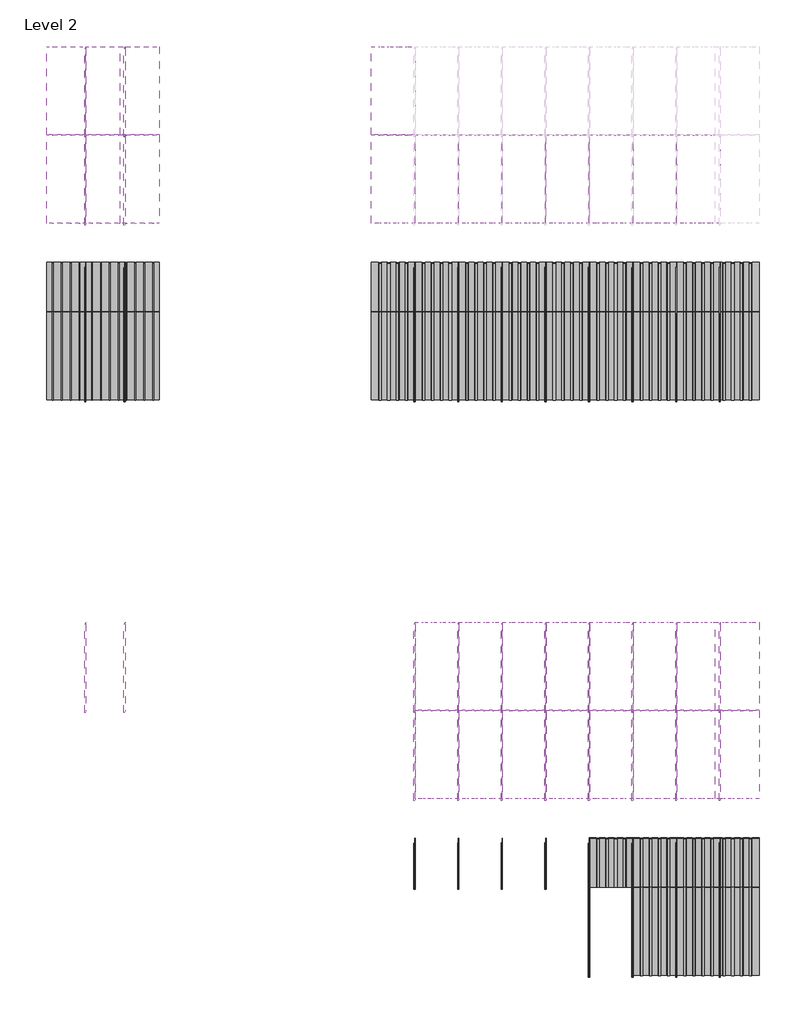
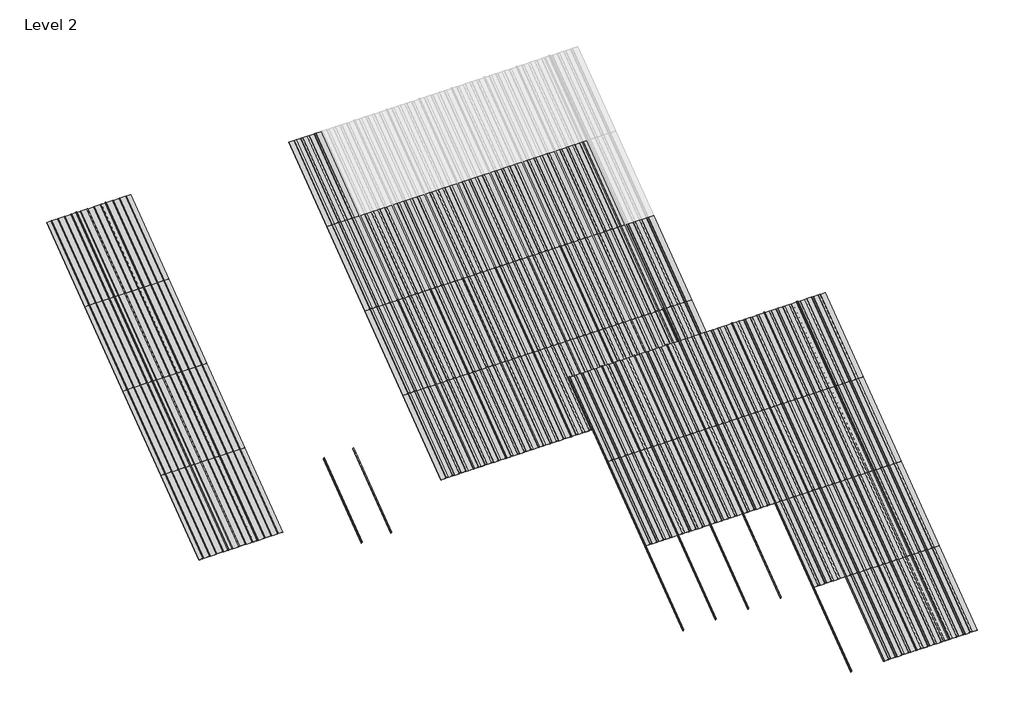
# One storey, part 36 of 177: 62 plates, 52 members.
"""IFC4 building model written with IfcOpenShell, lengths in millimetres."""

import ifcopenshell
import ifcopenshell.guid

model = None  # the IFC model being written
_history = None  # IfcOwnerHistory: only IFC2X3 demands one
_inside = {}  # id of a spatial element -> (the spatial element, [elements in it])
_under = {}  # id of a project, library or spatial element -> (it, [spatial elements below it])
_declared = {}  # id of a project -> (the project, [libraries it declares])
_typed = {}  # id of a type object -> (the type object, [elements of that type])
_made_of = {}  # id of a material, layer set ... -> (it, [elements and type objects made of it])


def new_model(schema):
    """Start an empty IFC model of exactly this schema.

    Asked for "IFC4X3", IfcOpenShell would pick the latest addendum, in which some entities
    have other attributes; the version numbers below select the first issue.
    IFC2X3 requires an IfcOwnerHistory on every rooted entity: one is made here for all.
    """
    global model, _history
    if schema == "IFC4X3":
        model = ifcopenshell.file(schema_version=(4, 3, 0, 0))
    else:
        model = ifcopenshell.file(schema=schema)
    _inside.clear()
    _under.clear()
    _declared.clear()
    _typed.clear()
    _made_of.clear()
    _history = None
    if model.schema == "IFC2X3":
        org = make("IfcOrganization", Name="unknown")
        user = make(
            "IfcPersonAndOrganization",
            ThePerson=make("IfcPerson", FamilyName="unknown"),
            TheOrganization=org,
        )
        app = make(
            "IfcApplication",
            ApplicationDeveloper=org,
            Version="unknown",
            ApplicationFullName="unknown",
            ApplicationIdentifier="unknown",
        )
        _history = make(
            "IfcOwnerHistory",
            OwningUser=user,
            OwningApplication=app,
            ChangeAction="ADDED",
            CreationDate=0,
        )
    return model


def make(cls, **values):
    """One entity of the class cls with the attributes given. An attribute that is None is left unset."""
    return model.create_entity(
        cls, **{name: value for name, value in values.items() if value is not None}
    )


def rooted(cls, **values):
    """An entity with a GlobalId (a new one), such as an element, a storey or a relation."""
    return make(cls, GlobalId=ifcopenshell.guid.new(), OwnerHistory=_history, **values)


def si_unit(unit_type, name, prefix=None):
    """IfcSIUnit, for example si_unit("LENGTHUNIT", "METRE", prefix="MILLI")."""
    return make("IfcSIUnit", UnitType=unit_type, Prefix=prefix, Name=name)


def assignment(units):
    """IfcUnitAssignment: the units of a project."""
    return None if units is None else make("IfcUnitAssignment", Units=units)


def point(xyz):
    """IfcCartesianPoint."""
    return None if xyz is None else make("IfcCartesianPoint", Coordinates=xyz)


def direction(xyz):
    """IfcDirection."""
    return None if xyz is None else make("IfcDirection", DirectionRatios=xyz)


def frame(location, z_axis=None, x_axis=None):
    """IfcAxis2Placement3D, a coordinate frame: its origin and axes. An axis left out is left unset."""
    return make(
        "IfcAxis2Placement3D",
        Location=point(location),
        Axis=direction(z_axis),
        RefDirection=direction(x_axis),
    )


def frame_2d(location, x_axis=None):
    """IfcAxis2Placement2D, a coordinate frame in the plane: its origin and x axis."""
    return make(
        "IfcAxis2Placement2D", Location=point(location), RefDirection=direction(x_axis)
    )


def origin():
    """The frame at (0, 0, 0) with its axes left unset."""
    return frame((0.0, 0.0, 0.0))


def origin_with_axes():
    """The frame at (0, 0, 0) with the z axis (0, 0, 1) and the x axis (1, 0, 0) written out."""
    return frame((0.0, 0.0, 0.0), z_axis=(0.0, 0.0, 1.0), x_axis=(1.0, 0.0, 0.0))


def place(relative_to, where):
    """IfcLocalPlacement: puts the frame where relative to a parent placement (None: the world)."""
    return make(
        "IfcLocalPlacement", PlacementRelTo=relative_to, RelativePlacement=where
    )


def context(
    kind, dimensions, precision=None, world=None, true_north=None, identifier=None
):
    """IfcGeometricRepresentationContext, for example the 3D "Model" context."""
    return make(
        "IfcGeometricRepresentationContext",
        ContextIdentifier=identifier,
        ContextType=kind,
        CoordinateSpaceDimension=dimensions,
        Precision=precision,
        WorldCoordinateSystem=world,
        TrueNorth=true_north,
    )


def project(units=None, contexts=None):
    """IfcProject with its units and contexts."""
    return rooted(
        "IfcProject",
        Name="project",
        RepresentationContexts=contexts,
        UnitsInContext=assignment(units),
    )


def spatial(cls, under=None, at=None, **own):
    """A site, building, storey or space (cls), placed at a placement, below another one or the project."""
    s = rooted(cls, ObjectPlacement=at, **own)
    if under is not None:
        _under.setdefault(under.id(), (under, []))[1].append(s)
    return s


def polyline(points):
    """IfcPolyline through the points."""
    return make("IfcPolyline", Points=[point(p) for p in points])


def circle_curve(where, radius):
    """IfcCircle in the frame where."""
    return make("IfcCircle", Position=where, Radius=radius)


def trimmed(basis, trim1, trim2, sense, master):
    """IfcTrimmedCurve: the piece of a basis curve between two trims."""
    return make(
        "IfcTrimmedCurve",
        BasisCurve=basis,
        Trim1=trim1,
        Trim2=trim2,
        SenseAgreement=sense,
        MasterRepresentation=master,
    )


def segment(curve, same_sense, transition):
    """IfcCompositeCurveSegment."""
    return make(
        "IfcCompositeCurveSegment",
        Transition=transition,
        SameSense=same_sense,
        ParentCurve=curve,
    )


def composite_curve(segments, self_intersect=None):
    """IfcCompositeCurve: segments joined end to end."""
    return make("IfcCompositeCurve", Segments=segments, SelfIntersect=self_intersect)


def outline(outer, holes=None, kind="AREA"):
    """IfcArbitraryClosedProfileDef: a profile drawn as a closed curve; with holes, ...WithVoids."""
    if holes is None:
        return make("IfcArbitraryClosedProfileDef", ProfileType=kind, OuterCurve=outer)
    return make(
        "IfcArbitraryProfileDefWithVoids",
        ProfileType=kind,
        OuterCurve=outer,
        InnerCurves=holes,
    )


def extrude(swept, where, along, depth):
    """IfcExtrudedAreaSolid: the profile swept, set in the frame where, extruded along a direction by depth."""
    return make(
        "IfcExtrudedAreaSolid",
        SweptArea=swept,
        Position=where,
        ExtrudedDirection=direction(along),
        Depth=depth,
    )


def shape(context_of_items, identifier, shape_type, items):
    """IfcShapeRepresentation: the items that make up one representation, for example the "Body"."""
    return make(
        "IfcShapeRepresentation",
        ContextOfItems=context_of_items,
        RepresentationIdentifier=identifier,
        RepresentationType=shape_type,
        Items=items,
    )


def source(mapping_origin, context_of_items, identifier, shape_type, items):
    """IfcRepresentationMap: a shape defined once, which mapped items show again and again."""
    return make(
        "IfcRepresentationMap",
        MappingOrigin=mapping_origin,
        MappedRepresentation=shape(context_of_items, identifier, shape_type, items),
    )


def transform(
    local_origin,
    x_axis=None,
    y_axis=None,
    z_axis=None,
    scale=None,
    scale2=None,
    scale3=None,
    uniform=True,
):
    """IfcCartesianTransformationOperator3D, or its non-uniform kind. x_axis, y_axis, z_axis: its Axis1, 2, 3."""
    if uniform:
        return make(
            "IfcCartesianTransformationOperator3D",
            Axis1=direction(x_axis),
            Axis2=direction(y_axis),
            LocalOrigin=point(local_origin),
            Scale=scale,
            Axis3=direction(z_axis),
        )
    return make(
        "IfcCartesianTransformationOperator3DnonUniform",
        Axis1=direction(x_axis),
        Axis2=direction(y_axis),
        LocalOrigin=point(local_origin),
        Scale=scale,
        Axis3=direction(z_axis),
        Scale2=scale2,
        Scale3=scale3,
    )


def mapped(mapping_source, mapping_target):
    """IfcMappedItem: shows the shape of a source again, moved by a transform."""
    return make(
        "IfcMappedItem", MappingSource=mapping_source, MappingTarget=mapping_target
    )


def made_of(thing, what):
    """Note that an element or type object is made of a material, layer set ...; save() writes the relation."""
    if what is not None:
        _made_of.setdefault(what.id(), (what, []))[1].append(thing)
    return thing


def element(
    cls,
    number,
    at=None,
    inside=None,
    cuts=None,
    type_object=None,
    material=None,
    context=None,
    identifier="Body",
    shape_type=None,
    held_by="IfcProductDefinitionShape",
    body=None,
    shapes=None,
    **own,
):
    """One element of the class cls, such as IfcWall. Its Tag is "e" and its number.

    at: its placement. inside: the storey or other place that contains it. cuts: it is an
    opening in that element (IfcRelVoidsElement). A single representation is given by context,
    identifier, shape_type and body (its items); several are given by shapes. held_by: the class
    of the entity that holds the representations. save() writes the other relations.
    """
    e = rooted(cls, Tag="e%d" % number, ObjectPlacement=at, **own)
    if body is not None:
        shapes = [shape(context, identifier, shape_type, body)]
    if shapes is not None:
        e.Representation = make(held_by, Representations=shapes)
    if inside is not None:
        _inside.setdefault(inside.id(), (inside, []))[1].append(e)
    if cuts is not None:
        rooted(
            "IfcRelVoidsElement", RelatingBuildingElement=cuts, RelatedOpeningElement=e
        )
    if type_object is not None:
        _typed.setdefault(type_object.id(), (type_object, []))[1].append(e)
    return made_of(e, material)


def aggregate(whole, parts):
    """IfcRelAggregates: a whole, such as a stair, and the parts it consists of."""
    return rooted("IfcRelAggregates", RelatingObject=whole, RelatedObjects=parts)


def save(model, path):
    """Write the relations noted so far, then the file.

    IfcRelAggregates (storeys below a building ...), IfcRelContainedInSpatialStructure (elements
    in a storey), IfcRelDefinesByType, IfcRelAssociatesMaterial and IfcRelDeclares: one each for
    every whole, place, type object, material and project.
    """
    for whole, parts in _under.values():
        aggregate(whole, parts)
    for where, things in _inside.values():
        rooted(
            "IfcRelContainedInSpatialStructure",
            RelatedElements=things,
            RelatingStructure=where,
        )
    for kind, things in _typed.values():
        rooted("IfcRelDefinesByType", RelatedObjects=things, RelatingType=kind)
    for what, things in _made_of.values():
        rooted("IfcRelAssociatesMaterial", RelatedObjects=things, RelatingMaterial=what)
    for by, libraries in _declared.values():
        rooted("IfcRelDeclares", RelatingContext=by, RelatedDefinitions=libraries)
    model.write(path)


def rectangular_mullion_59d29c64(model_context):
    return source(origin(), model_context, "Body", "SweptSolid", [
        extrude(outline(composite_curve([segment(polyline([(-1.651, -33.918525), (-1.651, 0.396875), (1.778, 0.396875), (1.778, -36.458525)]), True, "CONTINUOUS"), segment(trimmed(circle_curve(frame_2d((-0.762, -36.458525)), 2.54), [point((1.778, -36.458525))], [point((-0.762, -38.998525))], False, "CARTESIAN"), True, "CONTINUOUS"), segment(polyline([(-0.762, -38.998525), (-10.16, -38.998525)]), True, "CONTINUOUS"), segment(trimmed(circle_curve(frame_2d((-10.16, -36.458525)), 2.54), [point((-10.16, -38.998525))], [point((-10.16, -33.918525))], False, "CARTESIAN"), True, "CONTINUOUS"), segment(polyline([(-10.16, -33.918525), (-1.651, -33.918525)]), True, "CONTINUOUS")], self_intersect=False)), frame((0.0, 0.0, -1285.875), z_axis=(0.0, 0.0, 1.0), x_axis=(1.0, 0.0, 0.0)), (0.0, 0.0, 1.0), 1285.875),
    ])


def plate_0_032_aluminium_d35da513(model_context):
    return source(origin(), model_context, "Body", "SweptSolid", [
        extrude(outline(polyline([(33.654793, 0.0), (-33.654793, 0.0), (-37.203173, -3.54838), (-66.870787, -3.54838), (-70.419167, 0.0), (-137.728753, 0.0), (-141.277133, -3.54838), (-170.944747, -3.54838), (-174.493127, 0.0), (-254.0, 0.0), (-254.0, 0.8128), (-174.42942, 0.8128), (-170.88104, -2.73558), (-141.34084, -2.73558), (-137.79246, 0.8128), (-70.35546, 0.8128), (-66.80708, -2.73558), (-37.26688, -2.73558), (-33.7185, 0.8128), (33.7185, 0.8128), (37.26688, -2.73558), (66.80708, -2.73558), (70.35546, 0.8128), (137.79246, 0.8128), (141.34084, -2.73558), (170.88104, -2.73558), (174.42942, 0.8128), (254.0, 0.8128), (254.0, 0.0), (174.493127, 0.0), (170.944747, -3.54838), (141.277133, -3.54838), (137.728753, 0.0), (70.419167, 0.0), (66.870787, -3.54838), (37.203173, -3.54838), (33.654793, 0.0)])), origin_with_axes(), (0.0, 0.0, 1.0), 1285.875),
    ])


def plate_0_032_aluminium_42d2a43c(model_context):
    return source(origin(), model_context, "Body", "SweptSolid", [
        extrude(outline(composite_curve([segment(polyline([(45.68698, 0.0), (-45.68698, 0.0)]), True, "CONTINUOUS"), segment(trimmed(circle_curve(frame_2d((-52.03698, 0.0)), 6.35), [point((-45.68698, 0.0))], [point((-58.38698, 0.0))], False, "CARTESIAN"), True, "CONTINUOUS"), segment(polyline([(-58.38698, 0.0), (-149.76094, 0.0)]), True, "CONTINUOUS"), segment(trimmed(circle_curve(frame_2d((-156.11094, 0.0)), 6.35), [point((-149.76094, 0.0))], [point((-162.46094, 0.0))], False, "CARTESIAN"), True, "CONTINUOUS"), segment(polyline([(-162.46094, 0.0), (-228.6, 0.0), (-228.6, 0.8128), (-161.64814, 0.8128), (-161.64814, 0.0)]), True, "CONTINUOUS"), segment(trimmed(circle_curve(frame_2d((-156.11094, 0.0)), 5.5372), [point((-161.64814, 0.0))], [point((-150.57374, 0.0))], True, "CARTESIAN"), True, "CONTINUOUS"), segment(polyline([(-150.57374, 0.0), (-150.57374, 0.8128), (-57.57418, 0.8128), (-57.57418, 0.0)]), True, "CONTINUOUS"), segment(trimmed(circle_curve(frame_2d((-52.03698, 0.0)), 5.5372), [point((-57.57418, 0.0))], [point((-46.49978, 0.0))], True, "CARTESIAN"), True, "CONTINUOUS"), segment(polyline([(-46.49978, 0.0), (-46.49978, 0.8128), (46.49978, 0.8128), (46.49978, 0.0)]), True, "CONTINUOUS"), segment(trimmed(circle_curve(frame_2d((52.03698, 0.0)), 5.5372), [point((46.49978, 0.0))], [point((57.57418, 0.0))], True, "CARTESIAN"), True, "CONTINUOUS"), segment(polyline([(57.57418, 0.0), (57.57418, 0.8128), (150.57374, 0.8128), (150.57374, 0.0)]), True, "CONTINUOUS"), segment(trimmed(circle_curve(frame_2d((156.11094, 0.0)), 5.5372), [point((150.57374, 0.0))], [point((161.64814, 0.0))], True, "CARTESIAN"), True, "CONTINUOUS"), segment(polyline([(161.64814, 0.0), (161.64814, 0.8128), (228.6, 0.8128), (228.6, 0.0), (162.46094, 0.0)]), True, "CONTINUOUS"), segment(trimmed(circle_curve(frame_2d((156.11094, 0.0)), 6.35), [point((162.46094, 0.0))], [point((149.76094, 0.0))], False, "CARTESIAN"), True, "CONTINUOUS"), segment(polyline([(149.76094, 0.0), (58.38698, 0.0)]), True, "CONTINUOUS"), segment(trimmed(circle_curve(frame_2d((52.03698, 0.0)), 6.35), [point((58.38698, 0.0))], [point((45.68698, 0.0))], False, "CARTESIAN"), True, "CONTINUOUS")], self_intersect=False)), origin_with_axes(), (0.0, 0.0, 1.0), 1285.875),
    ])


model = new_model("IFC4")

# Units and contexts
model_context = context("Model", 3, world=origin())
ifc_project = project(units=[si_unit("LENGTHUNIT", "METRE", prefix="MILLI")], contexts=[model_context])

# Site, building, storey
site = spatial("IfcSite", under=ifc_project)
building = spatial("IfcBuilding", under=site)
storey = spatial("IfcBuildingStorey", under=building, Name="Level 2", Elevation=3048.0)

# Members
placement = place(None, origin())
rectangular_mullion_shape = rectangular_mullion_59d29c64(model_context)
element("IfcMember", 1, ObjectType="Rectangular Mullion", at=placement, inside=storey, context=model_context, shape_type="MappedRepresentation", body=[
    mapped(rectangular_mullion_shape, transform((112282.3138422, 52372.7796239, 6134.1), x_axis=(1.0, 0.0, 0.0), y_axis=(0.0, 0.5999999999999946, -0.800000000000004), z_axis=(0.0, 0.800000000000004, 0.5999999999999946))),
])
element("IfcMember", 2, ObjectType="Rectangular Mullion", at=placement, inside=storey, context=model_context, shape_type="MappedRepresentation", body=[
    mapped(rectangular_mullion_shape, transform((112739.5138422, 52372.7796239, 6134.1), x_axis=(1.0, 0.0, 0.0), y_axis=(0.0, 0.5999999999999946, -0.800000000000004), z_axis=(0.0, 0.800000000000004, 0.5999999999999946))),
])
element("IfcMember", 3, ObjectType="Rectangular Mullion", at=placement, inside=storey, context=model_context, shape_type="MappedRepresentation", body=[
    mapped(rectangular_mullion_shape, transform((116117.7138422, 52372.7796239, 6134.1), x_axis=(1.0, 0.0, 0.0), y_axis=(0.0, 0.5999999999999946, -0.800000000000004), z_axis=(0.0, 0.800000000000004, 0.5999999999999946))),
])
element("IfcMember", 4, ObjectType="Rectangular Mullion", at=placement, inside=storey, context=model_context, shape_type="MappedRepresentation", body=[
    mapped(rectangular_mullion_shape, transform((116625.7138422, 52372.7796239, 6134.1), x_axis=(1.0, 0.0, 0.0), y_axis=(0.0, 0.5999999999999946, -0.800000000000004), z_axis=(0.0, 0.800000000000004, 0.5999999999999946))),
])
element("IfcMember", 5, ObjectType="Rectangular Mullion", at=placement, inside=storey, context=model_context, shape_type="MappedRepresentation", body=[
    mapped(rectangular_mullion_shape, transform((117133.7138422, 52372.7796239, 6134.1), x_axis=(1.0, 0.0, 0.0), y_axis=(0.0, 0.5999999999999946, -0.800000000000004), z_axis=(0.0, 0.800000000000004, 0.5999999999999946))),
])
element("IfcMember", 6, ObjectType="Rectangular Mullion", at=placement, inside=storey, context=model_context, shape_type="MappedRepresentation", body=[
    mapped(rectangular_mullion_shape, transform((117641.7138422, 52372.7796239, 6134.1), x_axis=(1.0, 0.0, 0.0), y_axis=(0.0, 0.5999999999999946, -0.800000000000004), z_axis=(0.0, 0.800000000000004, 0.5999999999999946))),
])
element("IfcMember", 7, ObjectType="Rectangular Mullion", at=placement, inside=storey, context=model_context, shape_type="MappedRepresentation", body=[
    mapped(rectangular_mullion_shape, transform((118149.7138422, 52372.7796239, 6134.1), x_axis=(1.0, 0.0, 0.0), y_axis=(0.0, 0.5999999999999946, -0.800000000000004), z_axis=(0.0, 0.800000000000004, 0.5999999999999946))),
])
element("IfcMember", 8, ObjectType="Rectangular Mullion", at=placement, inside=storey, context=model_context, shape_type="MappedRepresentation", body=[
    mapped(rectangular_mullion_shape, transform((118657.7138422, 52372.7796239, 6134.1), x_axis=(1.0, 0.0, 0.0), y_axis=(0.0, 0.5999999999999946, -0.800000000000004), z_axis=(0.0, 0.800000000000004, 0.5999999999999946))),
])
element("IfcMember", 9, ObjectType="Rectangular Mullion", at=placement, inside=storey, context=model_context, shape_type="MappedRepresentation", body=[
    mapped(rectangular_mullion_shape, transform((119165.7138422, 52372.7796239, 6134.1), x_axis=(1.0, 0.0, 0.0), y_axis=(0.0, 0.5999999999999946, -0.800000000000004), z_axis=(0.0, 0.800000000000004, 0.5999999999999946))),
])
element("IfcMember", 10, ObjectType="Rectangular Mullion", at=placement, inside=storey, context=model_context, shape_type="MappedRepresentation", body=[
    mapped(rectangular_mullion_shape, transform((119673.7138422, 52372.7796239, 6134.1), x_axis=(1.0, 0.0, 0.0), y_axis=(0.0, 0.5999999999999946, -0.800000000000004), z_axis=(0.0, 0.800000000000004, 0.5999999999999946))),
])
element("IfcMember", 11, ObjectType="Rectangular Mullion", at=placement, inside=storey, context=model_context, shape_type="MappedRepresentation", body=[
    mapped(rectangular_mullion_shape, transform((112282.3138422, 59077.9033739, 6134.1), x_axis=(1.0, 0.0, 0.0), y_axis=(0.0, 0.5999999999999946, -0.800000000000004), z_axis=(0.0, 0.800000000000004, 0.5999999999999946))),
])
element("IfcMember", 12, ObjectType="Rectangular Mullion", at=placement, inside=storey, context=model_context, shape_type="MappedRepresentation", body=[
    mapped(rectangular_mullion_shape, transform((112739.5138422, 59077.9033739, 6134.1), x_axis=(1.0, 0.0, 0.0), y_axis=(0.0, 0.5999999999999946, -0.800000000000004), z_axis=(0.0, 0.800000000000004, 0.5999999999999946))),
])
element("IfcMember", 13, ObjectType="Rectangular Mullion", at=placement, inside=storey, context=model_context, shape_type="MappedRepresentation", body=[
    mapped(rectangular_mullion_shape, transform((118149.7138422, 49286.6796239, 3819.525), x_axis=(1.0, 0.0, 0.0), y_axis=(0.0, 0.5999999999999939, -0.8000000000000047), z_axis=(0.0, 0.8000000000000047, 0.5999999999999939))),
])
element("IfcMember", 14, ObjectType="Rectangular Mullion", at=placement, inside=storey, context=model_context, shape_type="MappedRepresentation", body=[
    mapped(rectangular_mullion_shape, transform((118657.7138422, 49286.6796239, 3819.525), x_axis=(1.0, 0.0, 0.0), y_axis=(0.0, 0.5999999999999939, -0.8000000000000047), z_axis=(0.0, 0.8000000000000047, 0.5999999999999939))),
])
element("IfcMember", 15, ObjectType="Rectangular Mullion", at=placement, inside=storey, context=model_context, shape_type="MappedRepresentation", body=[
    mapped(rectangular_mullion_shape, transform((119165.7138422, 49286.6796239, 3819.525), x_axis=(1.0, 0.0, 0.0), y_axis=(0.0, 0.5999999999999939, -0.8000000000000047), z_axis=(0.0, 0.8000000000000047, 0.5999999999999939))),
])
element("IfcMember", 16, ObjectType="Rectangular Mullion", at=placement, inside=storey, context=model_context, shape_type="MappedRepresentation", body=[
    mapped(rectangular_mullion_shape, transform((119673.7138422, 49286.6796239, 3819.525), x_axis=(1.0, 0.0, 0.0), y_axis=(0.0, 0.5999999999999939, -0.8000000000000047), z_axis=(0.0, 0.8000000000000047, 0.5999999999999939))),
])
element("IfcMember", 17, ObjectType="Rectangular Mullion", at=placement, inside=storey, context=model_context, shape_type="MappedRepresentation", body=[
    mapped(rectangular_mullion_shape, transform((112282.3138422, 55991.8033739, 3819.525), x_axis=(1.0, 0.0, 0.0), y_axis=(0.0, 0.5999999999999939, -0.8000000000000047), z_axis=(0.0, 0.8000000000000047, 0.5999999999999939))),
])
element("IfcMember", 18, ObjectType="Rectangular Mullion", at=placement, inside=storey, context=model_context, shape_type="MappedRepresentation", body=[
    mapped(rectangular_mullion_shape, transform((112739.5138422, 55991.8033739, 3819.525), x_axis=(1.0, 0.0, 0.0), y_axis=(0.0, 0.5999999999999939, -0.8000000000000047), z_axis=(0.0, 0.8000000000000047, 0.5999999999999939))),
])
element("IfcMember", 19, ObjectType="Rectangular Mullion", at=placement, inside=storey, context=model_context, shape_type="MappedRepresentation", body=[
    mapped(rectangular_mullion_shape, transform((116117.7138422, 55991.8033739, 3819.525), x_axis=(1.0, 0.0, 0.0), y_axis=(0.0, 0.5999999999999939, -0.8000000000000047), z_axis=(0.0, 0.8000000000000047, 0.5999999999999939))),
])
element("IfcMember", 20, ObjectType="Rectangular Mullion", at=placement, inside=storey, context=model_context, shape_type="MappedRepresentation", body=[
    mapped(rectangular_mullion_shape, transform((116625.7138422, 55991.8033739, 3819.525), x_axis=(1.0, 0.0, 0.0), y_axis=(0.0, 0.5999999999999939, -0.8000000000000047), z_axis=(0.0, 0.8000000000000047, 0.5999999999999939))),
])
element("IfcMember", 21, ObjectType="Rectangular Mullion", at=placement, inside=storey, context=model_context, shape_type="MappedRepresentation", body=[
    mapped(rectangular_mullion_shape, transform((117133.7138422, 55991.8033739, 3819.525), x_axis=(1.0, 0.0, 0.0), y_axis=(0.0, 0.5999999999999939, -0.8000000000000047), z_axis=(0.0, 0.8000000000000047, 0.5999999999999939))),
])
element("IfcMember", 22, ObjectType="Rectangular Mullion", at=placement, inside=storey, context=model_context, shape_type="MappedRepresentation", body=[
    mapped(rectangular_mullion_shape, transform((117641.7138422, 55991.8033739, 3819.525), x_axis=(1.0, 0.0, 0.0), y_axis=(0.0, 0.5999999999999939, -0.8000000000000047), z_axis=(0.0, 0.8000000000000047, 0.5999999999999939))),
])
element("IfcMember", 23, ObjectType="Rectangular Mullion", at=placement, inside=storey, context=model_context, shape_type="MappedRepresentation", body=[
    mapped(rectangular_mullion_shape, transform((118149.7138422, 55991.8033739, 3819.525), x_axis=(1.0, 0.0, 0.0), y_axis=(0.0, 0.5999999999999939, -0.8000000000000047), z_axis=(0.0, 0.8000000000000047, 0.5999999999999939))),
])
element("IfcMember", 24, ObjectType="Rectangular Mullion", at=placement, inside=storey, context=model_context, shape_type="MappedRepresentation", body=[
    mapped(rectangular_mullion_shape, transform((118657.7138422, 55991.8033739, 3819.525), x_axis=(1.0, 0.0, 0.0), y_axis=(0.0, 0.5999999999999939, -0.8000000000000047), z_axis=(0.0, 0.8000000000000047, 0.5999999999999939))),
])
element("IfcMember", 25, ObjectType="Rectangular Mullion", at=placement, inside=storey, context=model_context, shape_type="MappedRepresentation", body=[
    mapped(rectangular_mullion_shape, transform((119165.7138422, 55991.8033739, 3819.525), x_axis=(1.0, 0.0, 0.0), y_axis=(0.0, 0.5999999999999939, -0.8000000000000047), z_axis=(0.0, 0.8000000000000047, 0.5999999999999939))),
])
element("IfcMember", 26, ObjectType="Rectangular Mullion", at=placement, inside=storey, context=model_context, shape_type="MappedRepresentation", body=[
    mapped(rectangular_mullion_shape, transform((119673.7138422, 55991.8033739, 3819.525), x_axis=(1.0, 0.0, 0.0), y_axis=(0.0, 0.5999999999999939, -0.8000000000000047), z_axis=(0.0, 0.8000000000000047, 0.5999999999999939))),
])
element("IfcMember", 27, ObjectType="Rectangular Mullion", at=placement, inside=storey, context=model_context, shape_type="MappedRepresentation", body=[
    mapped(rectangular_mullion_shape, transform((116117.7138422, 50315.3796239, 4591.05), x_axis=(1.0, 0.0, 0.0), y_axis=(0.0, 0.5999999999999952, -0.8000000000000037), z_axis=(0.0, 0.8000000000000037, 0.5999999999999952))),
])
element("IfcMember", 28, ObjectType="Rectangular Mullion", at=placement, inside=storey, context=model_context, shape_type="MappedRepresentation", body=[
    mapped(rectangular_mullion_shape, transform((116625.7138422, 50315.3796239, 4591.05), x_axis=(1.0, 0.0, 0.0), y_axis=(0.0, 0.5999999999999952, -0.8000000000000037), z_axis=(0.0, 0.8000000000000037, 0.5999999999999952))),
])
element("IfcMember", 29, ObjectType="Rectangular Mullion", at=placement, inside=storey, context=model_context, shape_type="MappedRepresentation", body=[
    mapped(rectangular_mullion_shape, transform((116117.7138422, 51344.0796239, 5362.575), x_axis=(1.0, 0.0, 0.0), y_axis=(0.0, 0.5999999999999941, -0.8000000000000045), z_axis=(0.0, 0.8000000000000044, 0.599999999999994))),
])
element("IfcMember", 30, ObjectType="Rectangular Mullion", at=placement, inside=storey, context=model_context, shape_type="MappedRepresentation", body=[
    mapped(rectangular_mullion_shape, transform((116625.7138422, 51344.0796239, 5362.575), x_axis=(1.0, 0.0, 0.0), y_axis=(0.0, 0.5999999999999941, -0.8000000000000045), z_axis=(0.0, 0.8000000000000044, 0.599999999999994))),
])
element("IfcMember", 31, ObjectType="Rectangular Mullion", at=placement, inside=storey, context=model_context, shape_type="MappedRepresentation", body=[
    mapped(rectangular_mullion_shape, transform((117133.7138422, 50315.3796239, 4591.05), x_axis=(1.0, 0.0, 0.0), y_axis=(0.0, 0.5999999999999952, -0.8000000000000037), z_axis=(0.0, 0.8000000000000037, 0.5999999999999952))),
])
element("IfcMember", 32, ObjectType="Rectangular Mullion", at=placement, inside=storey, context=model_context, shape_type="MappedRepresentation", body=[
    mapped(rectangular_mullion_shape, transform((117641.7138422, 50315.3796239, 4591.05), x_axis=(1.0, 0.0, 0.0), y_axis=(0.0, 0.5999999999999952, -0.8000000000000037), z_axis=(0.0, 0.8000000000000037, 0.5999999999999952))),
])
element("IfcMember", 33, ObjectType="Rectangular Mullion", at=placement, inside=storey, context=model_context, shape_type="MappedRepresentation", body=[
    mapped(rectangular_mullion_shape, transform((118149.7138422, 50315.3796239, 4591.05), x_axis=(1.0, 0.0, 0.0), y_axis=(0.0, 0.5999999999999952, -0.8000000000000037), z_axis=(0.0, 0.8000000000000037, 0.5999999999999952))),
])
element("IfcMember", 34, ObjectType="Rectangular Mullion", at=placement, inside=storey, context=model_context, shape_type="MappedRepresentation", body=[
    mapped(rectangular_mullion_shape, transform((118657.7138422, 50315.3796239, 4591.05), x_axis=(1.0, 0.0, 0.0), y_axis=(0.0, 0.5999999999999952, -0.8000000000000037), z_axis=(0.0, 0.8000000000000037, 0.5999999999999952))),
])
element("IfcMember", 35, ObjectType="Rectangular Mullion", at=placement, inside=storey, context=model_context, shape_type="MappedRepresentation", body=[
    mapped(rectangular_mullion_shape, transform((119165.7138422, 50315.3796239, 4591.05), x_axis=(1.0, 0.0, 0.0), y_axis=(0.0, 0.5999999999999952, -0.8000000000000037), z_axis=(0.0, 0.8000000000000037, 0.5999999999999952))),
])
element("IfcMember", 36, ObjectType="Rectangular Mullion", at=placement, inside=storey, context=model_context, shape_type="MappedRepresentation", body=[
    mapped(rectangular_mullion_shape, transform((119673.7138422, 50315.3796239, 4591.05), x_axis=(1.0, 0.0, 0.0), y_axis=(0.0, 0.5999999999999952, -0.8000000000000037), z_axis=(0.0, 0.8000000000000037, 0.5999999999999952))),
])
element("IfcMember", 37, ObjectType="Rectangular Mullion", at=placement, inside=storey, context=model_context, shape_type="MappedRepresentation", body=[
    mapped(rectangular_mullion_shape, transform((117133.7138422, 51344.0796239, 5362.575), x_axis=(1.0, 0.0, 0.0), y_axis=(0.0, 0.5999999999999941, -0.8000000000000045), z_axis=(0.0, 0.8000000000000044, 0.599999999999994))),
])
element("IfcMember", 38, ObjectType="Rectangular Mullion", at=placement, inside=storey, context=model_context, shape_type="MappedRepresentation", body=[
    mapped(rectangular_mullion_shape, transform((117641.7138422, 51344.0796239, 5362.575), x_axis=(1.0, 0.0, 0.0), y_axis=(0.0, 0.5999999999999941, -0.8000000000000045), z_axis=(0.0, 0.8000000000000044, 0.599999999999994))),
])
element("IfcMember", 39, ObjectType="Rectangular Mullion", at=placement, inside=storey, context=model_context, shape_type="MappedRepresentation", body=[
    mapped(rectangular_mullion_shape, transform((118149.7138422, 51344.0796239, 5362.575), x_axis=(1.0, 0.0, 0.0), y_axis=(0.0, 0.5999999999999941, -0.8000000000000045), z_axis=(0.0, 0.8000000000000044, 0.599999999999994))),
])
element("IfcMember", 40, ObjectType="Rectangular Mullion", at=placement, inside=storey, context=model_context, shape_type="MappedRepresentation", body=[
    mapped(rectangular_mullion_shape, transform((118657.7138422, 51344.0796239, 5362.575), x_axis=(1.0, 0.0, 0.0), y_axis=(0.0, 0.5999999999999941, -0.8000000000000045), z_axis=(0.0, 0.8000000000000044, 0.599999999999994))),
])
element("IfcMember", 41, ObjectType="Rectangular Mullion", at=placement, inside=storey, context=model_context, shape_type="MappedRepresentation", body=[
    mapped(rectangular_mullion_shape, transform((119165.7138422, 51344.0796239, 5362.575), x_axis=(1.0, 0.0, 0.0), y_axis=(0.0, 0.5999999999999941, -0.8000000000000045), z_axis=(0.0, 0.8000000000000044, 0.599999999999994))),
])
element("IfcMember", 42, ObjectType="Rectangular Mullion", at=placement, inside=storey, context=model_context, shape_type="MappedRepresentation", body=[
    mapped(rectangular_mullion_shape, transform((119673.7138422, 51344.0796239, 5362.575), x_axis=(1.0, 0.0, 0.0), y_axis=(0.0, 0.5999999999999941, -0.8000000000000045), z_axis=(0.0, 0.8000000000000044, 0.599999999999994))),
])
element("IfcMember", 43, ObjectType="Rectangular Mullion", at=placement, inside=storey, context=model_context, shape_type="MappedRepresentation", body=[
    mapped(rectangular_mullion_shape, transform((112282.3138422, 57020.5033739, 4591.05), x_axis=(1.0, 0.0, 0.0), y_axis=(0.0, 0.5999999999999952, -0.8000000000000037), z_axis=(0.0, 0.8000000000000037, 0.5999999999999952))),
])
element("IfcMember", 44, ObjectType="Rectangular Mullion", at=placement, inside=storey, context=model_context, shape_type="MappedRepresentation", body=[
    mapped(rectangular_mullion_shape, transform((112739.5138422, 57020.5033739, 4591.05), x_axis=(1.0, 0.0, 0.0), y_axis=(0.0, 0.5999999999999952, -0.8000000000000037), z_axis=(0.0, 0.8000000000000037, 0.5999999999999952))),
])
element("IfcMember", 45, ObjectType="Rectangular Mullion", at=placement, inside=storey, context=model_context, shape_type="MappedRepresentation", body=[
    mapped(rectangular_mullion_shape, transform((112282.3138422, 58049.2033739, 5362.575), x_axis=(1.0, 0.0, 0.0), y_axis=(0.0, 0.5999999999999941, -0.8000000000000045), z_axis=(0.0, 0.8000000000000044, 0.599999999999994))),
])
element("IfcMember", 46, ObjectType="Rectangular Mullion", at=placement, inside=storey, context=model_context, shape_type="MappedRepresentation", body=[
    mapped(rectangular_mullion_shape, transform((112739.5138422, 58049.2033739, 5362.575), x_axis=(1.0, 0.0, 0.0), y_axis=(0.0, 0.5999999999999941, -0.8000000000000045), z_axis=(0.0, 0.8000000000000044, 0.599999999999994))),
])
element("IfcMember", 47, ObjectType="Rectangular Mullion", at=placement, inside=storey, context=model_context, shape_type="MappedRepresentation", body=[
    mapped(rectangular_mullion_shape, transform((116117.7138422, 57020.5033739, 4591.05), x_axis=(1.0, 0.0, 0.0), y_axis=(0.0, 0.5999999999999952, -0.8000000000000037), z_axis=(0.0, 0.8000000000000037, 0.5999999999999952))),
])
element("IfcMember", 48, ObjectType="Rectangular Mullion", at=placement, inside=storey, context=model_context, shape_type="MappedRepresentation", body=[
    mapped(rectangular_mullion_shape, transform((116625.7138422, 57020.5033739, 4591.05), x_axis=(1.0, 0.0, 0.0), y_axis=(0.0, 0.5999999999999952, -0.8000000000000037), z_axis=(0.0, 0.8000000000000037, 0.5999999999999952))),
])
element("IfcMember", 49, ObjectType="Rectangular Mullion", at=placement, inside=storey, context=model_context, shape_type="MappedRepresentation", body=[
    mapped(rectangular_mullion_shape, transform((117133.7138422, 57020.5033739, 4591.05), x_axis=(1.0, 0.0, 0.0), y_axis=(0.0, 0.5999999999999952, -0.8000000000000037), z_axis=(0.0, 0.8000000000000037, 0.5999999999999952))),
])
element("IfcMember", 50, ObjectType="Rectangular Mullion", at=placement, inside=storey, context=model_context, shape_type="MappedRepresentation", body=[
    mapped(rectangular_mullion_shape, transform((117641.7138422, 57020.5033739, 4591.05), x_axis=(1.0, 0.0, 0.0), y_axis=(0.0, 0.5999999999999952, -0.8000000000000037), z_axis=(0.0, 0.8000000000000037, 0.5999999999999952))),
])
element("IfcMember", 51, ObjectType="Rectangular Mullion", at=placement, inside=storey, context=model_context, shape_type="MappedRepresentation", body=[
    mapped(rectangular_mullion_shape, transform((118149.7138422, 57020.5033739, 4591.05), x_axis=(1.0, 0.0, 0.0), y_axis=(0.0, 0.5999999999999952, -0.8000000000000037), z_axis=(0.0, 0.8000000000000037, 0.5999999999999952))),
])
element("IfcMember", 52, ObjectType="Rectangular Mullion", at=placement, inside=storey, context=model_context, shape_type="MappedRepresentation", body=[
    mapped(rectangular_mullion_shape, transform((118657.7138422, 57020.5033739, 4591.05), x_axis=(1.0, 0.0, 0.0), y_axis=(0.0, 0.5999999999999952, -0.8000000000000037), z_axis=(0.0, 0.8000000000000037, 0.5999999999999952))),
])

# Plates
plate_0_032_aluminium_shape = plate_0_032_aluminium_d35da513(model_context)
element("IfcPlate", 53, ObjectType="22 Ga. Steel", at=placement, inside=storey, context=model_context, shape_type="MappedRepresentation", body=[
    mapped(plate_0_032_aluminium_shape, transform((115863.713842, 54963.1033739, 3048.0), x_axis=(1.0, 0.0, 0.0), y_axis=(0.0, 0.5999999999999943, -0.8000000000000043), z_axis=(0.0, 0.8000000000000043, 0.5999999999999943))),
])
element("IfcPlate", 54, ObjectType="22 Ga. Steel", at=placement, inside=storey, context=model_context, shape_type="MappedRepresentation", body=[
    mapped(plate_0_032_aluminium_shape, transform((115863.713842, 55991.8033739, 3819.525), x_axis=(1.0, 0.0, 0.0), y_axis=(0.0, 0.5999999999999943, -0.8000000000000043), z_axis=(0.0, 0.8000000000000043, 0.5999999999999943))),
])
element("IfcPlate", 55, ObjectType="22 Ga. Steel", at=placement, inside=storey, context=model_context, shape_type="MappedRepresentation", body=[
    mapped(plate_0_032_aluminium_shape, transform((115863.713842, 57020.5033739, 4591.05), x_axis=(1.0, 0.0, 0.0), y_axis=(0.0, 0.5999999999999943, -0.8000000000000043), z_axis=(0.0, 0.8000000000000043, 0.5999999999999943))),
])
element("IfcPlate", 56, ObjectType="22 Ga. Steel", at=placement, inside=storey, context=model_context, shape_type="MappedRepresentation", body=[
    mapped(plate_0_032_aluminium_shape, transform((115863.713842, 58049.2033739, 5362.575), x_axis=(1.0, 0.0, 0.0), y_axis=(0.0, 0.5999999999999943, -0.8000000000000043), z_axis=(0.0, 0.8000000000000043, 0.5999999999999943))),
])
element("IfcPlate", 57, ObjectType="22 Ga. Steel", at=placement, inside=storey, context=model_context, shape_type="MappedRepresentation", body=[
    mapped(plate_0_032_aluminium_shape, transform((116371.7773422, 50315.3796239, 4591.05), x_axis=(1.0, 0.0, 0.0), y_axis=(0.0, 0.5999999999999943, -0.8000000000000043), z_axis=(0.0, 0.8000000000000043, 0.5999999999999943))),
])
element("IfcPlate", 58, ObjectType="22 Ga. Steel", at=placement, inside=storey, context=model_context, shape_type="MappedRepresentation", body=[
    mapped(plate_0_032_aluminium_shape, transform((116879.7773422, 50315.3796239, 4591.05), x_axis=(1.0, 0.0, 0.0), y_axis=(0.0, 0.5999999999999943, -0.8000000000000043), z_axis=(0.0, 0.8000000000000043, 0.5999999999999943))),
])
element("IfcPlate", 59, ObjectType="22 Ga. Steel", at=placement, inside=storey, context=model_context, shape_type="MappedRepresentation", body=[
    mapped(plate_0_032_aluminium_shape, transform((116371.7773422, 51344.0796239, 5362.575), x_axis=(1.0, 0.0, 0.0), y_axis=(0.0, 0.5999999999999943, -0.8000000000000043), z_axis=(0.0, 0.8000000000000043, 0.5999999999999943))),
])
element("IfcPlate", 60, ObjectType="22 Ga. Steel", at=placement, inside=storey, context=model_context, shape_type="MappedRepresentation", body=[
    mapped(plate_0_032_aluminium_shape, transform((116879.7773422, 51344.0796239, 5362.575), x_axis=(1.0, 0.0, 0.0), y_axis=(0.0, 0.5999999999999943, -0.8000000000000043), z_axis=(0.0, 0.8000000000000043, 0.5999999999999943))),
])
element("IfcPlate", 61, ObjectType="22 Ga. Steel", at=placement, inside=storey, context=model_context, shape_type="MappedRepresentation", body=[
    mapped(plate_0_032_aluminium_shape, transform((117387.7773422, 50315.3796239, 4591.05), x_axis=(1.0, 0.0, 0.0), y_axis=(0.0, 0.5999999999999943, -0.8000000000000043), z_axis=(0.0, 0.8000000000000043, 0.5999999999999943))),
])
element("IfcPlate", 62, ObjectType="22 Ga. Steel", at=placement, inside=storey, context=model_context, shape_type="MappedRepresentation", body=[
    mapped(plate_0_032_aluminium_shape, transform((117387.7773422, 51344.0796239, 5362.575), x_axis=(1.0, 0.0, 0.0), y_axis=(0.0, 0.5999999999999943, -0.8000000000000043), z_axis=(0.0, 0.8000000000000043, 0.5999999999999943))),
])
element("IfcPlate", 63, ObjectType="22 Ga. Steel", at=placement, inside=storey, context=model_context, shape_type="MappedRepresentation", body=[
    mapped(plate_0_032_aluminium_shape, transform((117895.7773422, 50315.3796239, 4591.05), x_axis=(1.0, 0.0, 0.0), y_axis=(0.0, 0.5999999999999943, -0.8000000000000043), z_axis=(0.0, 0.8000000000000043, 0.5999999999999943))),
])
element("IfcPlate", 64, ObjectType="22 Ga. Steel", at=placement, inside=storey, context=model_context, shape_type="MappedRepresentation", body=[
    mapped(plate_0_032_aluminium_shape, transform((117895.7773422, 51344.0796239, 5362.575), x_axis=(1.0, 0.0, 0.0), y_axis=(0.0, 0.5999999999999943, -0.8000000000000043), z_axis=(0.0, 0.8000000000000043, 0.5999999999999943))),
])
element("IfcPlate", 65, ObjectType="22 Ga. Steel", at=placement, inside=storey, context=model_context, shape_type="MappedRepresentation", body=[
    mapped(plate_0_032_aluminium_shape, transform((118403.7773422, 49286.6796239, 3819.525), x_axis=(1.0, 0.0, 0.0), y_axis=(0.0, 0.5999999999999943, -0.8000000000000043), z_axis=(0.0, 0.8000000000000043, 0.5999999999999943))),
])
element("IfcPlate", 66, ObjectType="22 Ga. Steel", at=placement, inside=storey, context=model_context, shape_type="MappedRepresentation", body=[
    mapped(plate_0_032_aluminium_shape, transform((118403.7773422, 50315.3796239, 4591.05), x_axis=(1.0, 0.0, 0.0), y_axis=(0.0, 0.5999999999999943, -0.8000000000000043), z_axis=(0.0, 0.8000000000000043, 0.5999999999999943))),
])
element("IfcPlate", 67, ObjectType="22 Ga. Steel", at=placement, inside=storey, context=model_context, shape_type="MappedRepresentation", body=[
    mapped(plate_0_032_aluminium_shape, transform((118403.7773422, 51344.0796239, 5362.575), x_axis=(1.0, 0.0, 0.0), y_axis=(0.0, 0.5999999999999943, -0.8000000000000043), z_axis=(0.0, 0.8000000000000043, 0.5999999999999943))),
])
element("IfcPlate", 68, ObjectType="22 Ga. Steel", at=placement, inside=storey, context=model_context, shape_type="MappedRepresentation", body=[
    mapped(plate_0_032_aluminium_shape, transform((118911.7773422, 48257.9796239, 3048.0), x_axis=(1.0, 0.0, 0.0), y_axis=(0.0, 0.5999999999999943, -0.8000000000000043), z_axis=(0.0, 0.8000000000000043, 0.5999999999999943))),
])
element("IfcPlate", 69, ObjectType="22 Ga. Steel", at=placement, inside=storey, context=model_context, shape_type="MappedRepresentation", body=[
    mapped(plate_0_032_aluminium_shape, transform((118911.7773422, 49286.6796239, 3819.525), x_axis=(1.0, 0.0, 0.0), y_axis=(0.0, 0.5999999999999943, -0.8000000000000043), z_axis=(0.0, 0.8000000000000043, 0.5999999999999943))),
])
element("IfcPlate", 70, ObjectType="22 Ga. Steel", at=placement, inside=storey, context=model_context, shape_type="MappedRepresentation", body=[
    mapped(plate_0_032_aluminium_shape, transform((118911.7773422, 50315.3796239, 4591.05), x_axis=(1.0, 0.0, 0.0), y_axis=(0.0, 0.5999999999999943, -0.8000000000000043), z_axis=(0.0, 0.8000000000000043, 0.5999999999999943))),
])
element("IfcPlate", 71, ObjectType="22 Ga. Steel", at=placement, inside=storey, context=model_context, shape_type="MappedRepresentation", body=[
    mapped(plate_0_032_aluminium_shape, transform((118911.7773422, 51344.0796239, 5362.575), x_axis=(1.0, 0.0, 0.0), y_axis=(0.0, 0.5999999999999943, -0.8000000000000043), z_axis=(0.0, 0.8000000000000043, 0.5999999999999943))),
])
element("IfcPlate", 72, ObjectType="22 Ga. Steel", at=placement, inside=storey, context=model_context, shape_type="MappedRepresentation", body=[
    mapped(plate_0_032_aluminium_shape, transform((119419.7773422, 48257.9796239, 3048.0), x_axis=(1.0, 0.0, 0.0), y_axis=(0.0, 0.5999999999999943, -0.8000000000000043), z_axis=(0.0, 0.8000000000000043, 0.5999999999999943))),
])
element("IfcPlate", 73, ObjectType="22 Ga. Steel", at=placement, inside=storey, context=model_context, shape_type="MappedRepresentation", body=[
    mapped(plate_0_032_aluminium_shape, transform((119419.7773422, 49286.6796239, 3819.525), x_axis=(1.0, 0.0, 0.0), y_axis=(0.0, 0.5999999999999943, -0.8000000000000043), z_axis=(0.0, 0.8000000000000043, 0.5999999999999943))),
])
element("IfcPlate", 74, ObjectType="22 Ga. Steel", at=placement, inside=storey, context=model_context, shape_type="MappedRepresentation", body=[
    mapped(plate_0_032_aluminium_shape, transform((119419.7773422, 50315.3796239, 4591.05), x_axis=(1.0, 0.0, 0.0), y_axis=(0.0, 0.5999999999999943, -0.8000000000000043), z_axis=(0.0, 0.8000000000000043, 0.5999999999999943))),
])
element("IfcPlate", 75, ObjectType="22 Ga. Steel", at=placement, inside=storey, context=model_context, shape_type="MappedRepresentation", body=[
    mapped(plate_0_032_aluminium_shape, transform((119419.7773422, 51344.0796239, 5362.575), x_axis=(1.0, 0.0, 0.0), y_axis=(0.0, 0.5999999999999943, -0.8000000000000043), z_axis=(0.0, 0.8000000000000043, 0.5999999999999943))),
])
element("IfcPlate", 76, ObjectType="22 Ga. Steel", at=placement, inside=storey, context=model_context, shape_type="MappedRepresentation", body=[
    mapped(plate_0_032_aluminium_shape, transform((116371.7773422, 54963.1033739, 3048.0), x_axis=(1.0, 0.0, 0.0), y_axis=(0.0, 0.5999999999999943, -0.8000000000000043), z_axis=(0.0, 0.8000000000000043, 0.5999999999999943))),
])
element("IfcPlate", 77, ObjectType="22 Ga. Steel", at=placement, inside=storey, context=model_context, shape_type="MappedRepresentation", body=[
    mapped(plate_0_032_aluminium_shape, transform((116879.7773422, 54963.1033739, 3048.0), x_axis=(1.0, 0.0, 0.0), y_axis=(0.0, 0.5999999999999943, -0.8000000000000043), z_axis=(0.0, 0.8000000000000043, 0.5999999999999943))),
])
element("IfcPlate", 78, ObjectType="22 Ga. Steel", at=placement, inside=storey, context=model_context, shape_type="MappedRepresentation", body=[
    mapped(plate_0_032_aluminium_shape, transform((116371.7773422, 55991.8033739, 3819.525), x_axis=(1.0, 0.0, 0.0), y_axis=(0.0, 0.5999999999999943, -0.8000000000000043), z_axis=(0.0, 0.8000000000000043, 0.5999999999999943))),
])
element("IfcPlate", 79, ObjectType="22 Ga. Steel", at=placement, inside=storey, context=model_context, shape_type="MappedRepresentation", body=[
    mapped(plate_0_032_aluminium_shape, transform((116879.7773422, 55991.8033739, 3819.525), x_axis=(1.0, 0.0, 0.0), y_axis=(0.0, 0.5999999999999943, -0.8000000000000043), z_axis=(0.0, 0.8000000000000043, 0.5999999999999943))),
])
element("IfcPlate", 80, ObjectType="22 Ga. Steel", at=placement, inside=storey, context=model_context, shape_type="MappedRepresentation", body=[
    mapped(plate_0_032_aluminium_shape, transform((116371.7773422, 57020.5033739, 4591.05), x_axis=(1.0, 0.0, 0.0), y_axis=(0.0, 0.5999999999999943, -0.8000000000000043), z_axis=(0.0, 0.8000000000000043, 0.5999999999999943))),
])
element("IfcPlate", 81, ObjectType="22 Ga. Steel", at=placement, inside=storey, context=model_context, shape_type="MappedRepresentation", body=[
    mapped(plate_0_032_aluminium_shape, transform((116879.7773422, 57020.5033739, 4591.05), x_axis=(1.0, 0.0, 0.0), y_axis=(0.0, 0.5999999999999943, -0.8000000000000043), z_axis=(0.0, 0.8000000000000043, 0.5999999999999943))),
])
element("IfcPlate", 82, ObjectType="22 Ga. Steel", at=placement, inside=storey, context=model_context, shape_type="MappedRepresentation", body=[
    mapped(plate_0_032_aluminium_shape, transform((117387.7773422, 54963.1033739, 3048.0), x_axis=(1.0, 0.0, 0.0), y_axis=(0.0, 0.5999999999999943, -0.8000000000000043), z_axis=(0.0, 0.8000000000000043, 0.5999999999999943))),
])
element("IfcPlate", 83, ObjectType="22 Ga. Steel", at=placement, inside=storey, context=model_context, shape_type="MappedRepresentation", body=[
    mapped(plate_0_032_aluminium_shape, transform((117387.7773422, 55991.8033739, 3819.525), x_axis=(1.0, 0.0, 0.0), y_axis=(0.0, 0.5999999999999943, -0.8000000000000043), z_axis=(0.0, 0.8000000000000043, 0.5999999999999943))),
])
element("IfcPlate", 84, ObjectType="22 Ga. Steel", at=placement, inside=storey, context=model_context, shape_type="MappedRepresentation", body=[
    mapped(plate_0_032_aluminium_shape, transform((117387.7773422, 57020.5033739, 4591.05), x_axis=(1.0, 0.0, 0.0), y_axis=(0.0, 0.5999999999999943, -0.8000000000000043), z_axis=(0.0, 0.8000000000000043, 0.5999999999999943))),
])
element("IfcPlate", 85, ObjectType="22 Ga. Steel", at=placement, inside=storey, context=model_context, shape_type="MappedRepresentation", body=[
    mapped(plate_0_032_aluminium_shape, transform((117895.7773422, 54963.1033739, 3048.0), x_axis=(1.0, 0.0, 0.0), y_axis=(0.0, 0.5999999999999943, -0.8000000000000043), z_axis=(0.0, 0.8000000000000043, 0.5999999999999943))),
])
element("IfcPlate", 86, ObjectType="22 Ga. Steel", at=placement, inside=storey, context=model_context, shape_type="MappedRepresentation", body=[
    mapped(plate_0_032_aluminium_shape, transform((117895.7773422, 55991.8033739, 3819.525), x_axis=(1.0, 0.0, 0.0), y_axis=(0.0, 0.5999999999999943, -0.8000000000000043), z_axis=(0.0, 0.8000000000000043, 0.5999999999999943))),
])
element("IfcPlate", 87, ObjectType="22 Ga. Steel", at=placement, inside=storey, context=model_context, shape_type="MappedRepresentation", body=[
    mapped(plate_0_032_aluminium_shape, transform((117895.7773422, 57020.5033739, 4591.05), x_axis=(1.0, 0.0, 0.0), y_axis=(0.0, 0.5999999999999943, -0.8000000000000043), z_axis=(0.0, 0.8000000000000043, 0.5999999999999943))),
])
element("IfcPlate", 88, ObjectType="22 Ga. Steel", at=placement, inside=storey, context=model_context, shape_type="MappedRepresentation", body=[
    mapped(plate_0_032_aluminium_shape, transform((118403.7773422, 54963.1033739, 3048.0), x_axis=(1.0, 0.0, 0.0), y_axis=(0.0, 0.5999999999999943, -0.8000000000000043), z_axis=(0.0, 0.8000000000000043, 0.5999999999999943))),
])
element("IfcPlate", 89, ObjectType="22 Ga. Steel", at=placement, inside=storey, context=model_context, shape_type="MappedRepresentation", body=[
    mapped(plate_0_032_aluminium_shape, transform((118403.7773422, 55991.8033739, 3819.525), x_axis=(1.0, 0.0, 0.0), y_axis=(0.0, 0.5999999999999943, -0.8000000000000043), z_axis=(0.0, 0.8000000000000043, 0.5999999999999943))),
])
element("IfcPlate", 90, ObjectType="22 Ga. Steel", at=placement, inside=storey, context=model_context, shape_type="MappedRepresentation", body=[
    mapped(plate_0_032_aluminium_shape, transform((118403.7773422, 57020.5033739, 4591.05), x_axis=(1.0, 0.0, 0.0), y_axis=(0.0, 0.5999999999999943, -0.8000000000000043), z_axis=(0.0, 0.8000000000000043, 0.5999999999999943))),
])
element("IfcPlate", 91, ObjectType="22 Ga. Steel", at=placement, inside=storey, context=model_context, shape_type="MappedRepresentation", body=[
    mapped(plate_0_032_aluminium_shape, transform((118911.7773422, 54963.1033739, 3048.0), x_axis=(1.0, 0.0, 0.0), y_axis=(0.0, 0.5999999999999943, -0.8000000000000043), z_axis=(0.0, 0.8000000000000043, 0.5999999999999943))),
])
element("IfcPlate", 92, ObjectType="22 Ga. Steel", at=placement, inside=storey, context=model_context, shape_type="MappedRepresentation", body=[
    mapped(plate_0_032_aluminium_shape, transform((118911.7773422, 55991.8033739, 3819.525), x_axis=(1.0, 0.0, 0.0), y_axis=(0.0, 0.5999999999999943, -0.8000000000000043), z_axis=(0.0, 0.8000000000000043, 0.5999999999999943))),
])
element("IfcPlate", 93, ObjectType="22 Ga. Steel", at=placement, inside=storey, context=model_context, shape_type="MappedRepresentation", body=[
    mapped(plate_0_032_aluminium_shape, transform((118911.7773422, 57020.5033739, 4591.05), x_axis=(1.0, 0.0, 0.0), y_axis=(0.0, 0.5999999999999943, -0.8000000000000043), z_axis=(0.0, 0.8000000000000043, 0.5999999999999943))),
])
element("IfcPlate", 94, ObjectType="22 Ga. Steel", at=placement, inside=storey, context=model_context, shape_type="MappedRepresentation", body=[
    mapped(plate_0_032_aluminium_shape, transform((119419.7773422, 54963.1033739, 3048.0), x_axis=(1.0, 0.0, 0.0), y_axis=(0.0, 0.5999999999999943, -0.8000000000000043), z_axis=(0.0, 0.8000000000000043, 0.5999999999999943))),
])
element("IfcPlate", 95, ObjectType="22 Ga. Steel", at=placement, inside=storey, context=model_context, shape_type="MappedRepresentation", body=[
    mapped(plate_0_032_aluminium_shape, transform((119419.7773422, 55991.8033739, 3819.525), x_axis=(1.0, 0.0, 0.0), y_axis=(0.0, 0.5999999999999943, -0.8000000000000043), z_axis=(0.0, 0.8000000000000043, 0.5999999999999943))),
])
element("IfcPlate", 96, ObjectType="22 Ga. Steel", at=placement, inside=storey, context=model_context, shape_type="MappedRepresentation", body=[
    mapped(plate_0_032_aluminium_shape, transform((119419.7773422, 57020.5033739, 4591.05), x_axis=(1.0, 0.0, 0.0), y_axis=(0.0, 0.5999999999999943, -0.8000000000000043), z_axis=(0.0, 0.8000000000000043, 0.5999999999999943))),
])
element("IfcPlate", 97, ObjectType="22 Ga. Steel", at=placement, inside=storey, context=model_context, shape_type="MappedRepresentation", body=[
    mapped(plate_0_032_aluminium_shape, transform((119871.0083422, 48257.9796239, 3048.0), x_axis=(1.0, 0.0, 0.0), y_axis=(0.0, 0.5999999999999943, -0.8000000000000043), z_axis=(0.0, 0.8000000000000043, 0.5999999999999943))),
])
element("IfcPlate", 98, ObjectType="22 Ga. Steel", at=placement, inside=storey, context=model_context, shape_type="MappedRepresentation", body=[
    mapped(plate_0_032_aluminium_shape, transform((119871.0083422, 49286.6796239, 3819.525), x_axis=(1.0, 0.0, 0.0), y_axis=(0.0, 0.5999999999999943, -0.8000000000000043), z_axis=(0.0, 0.8000000000000043, 0.5999999999999943))),
])
element("IfcPlate", 99, ObjectType="22 Ga. Steel", at=placement, inside=storey, context=model_context, shape_type="MappedRepresentation", body=[
    mapped(plate_0_032_aluminium_shape, transform((119871.0083422, 50315.3796239, 4591.05), x_axis=(1.0, 0.0, 0.0), y_axis=(0.0, 0.5999999999999943, -0.8000000000000043), z_axis=(0.0, 0.8000000000000043, 0.5999999999999943))),
])
element("IfcPlate", 100, ObjectType="22 Ga. Steel", at=placement, inside=storey, context=model_context, shape_type="MappedRepresentation", body=[
    mapped(plate_0_032_aluminium_shape, transform((119871.0083422, 51344.0796239, 5362.575), x_axis=(1.0, 0.0, 0.0), y_axis=(0.0, 0.5999999999999943, -0.8000000000000043), z_axis=(0.0, 0.8000000000000043, 0.5999999999999943))),
])
element("IfcPlate", 101, ObjectType="22 Ga. Steel", at=placement, inside=storey, context=model_context, shape_type="MappedRepresentation", body=[
    mapped(plate_0_032_aluminium_shape, transform((119871.0083422, 54963.1033739, 3048.0), x_axis=(1.0, 0.0, 0.0), y_axis=(0.0, 0.5999999999999943, -0.8000000000000043), z_axis=(0.0, 0.8000000000000043, 0.5999999999999943))),
])
element("IfcPlate", 102, ObjectType="22 Ga. Steel", at=placement, inside=storey, context=model_context, shape_type="MappedRepresentation", body=[
    mapped(plate_0_032_aluminium_shape, transform((119871.0083422, 55991.8033739, 3819.525), x_axis=(1.0, 0.0, 0.0), y_axis=(0.0, 0.5999999999999943, -0.8000000000000043), z_axis=(0.0, 0.8000000000000043, 0.5999999999999943))),
])
plate_0_032_aluminium_2_shape = plate_0_032_aluminium_42d2a43c(model_context)
element("IfcPlate", 103, ObjectType="22 Ga. Steel", at=placement, inside=storey, context=model_context, shape_type="MappedRepresentation", body=[
    mapped(plate_0_032_aluminium_2_shape, transform((112053.7773422, 54963.1033739, 3048.0), x_axis=(1.0, 0.0, 0.0), y_axis=(0.0, 0.5999999999999943, -0.8000000000000043), z_axis=(0.0, 0.8000000000000043, 0.5999999999999943))),
])
element("IfcPlate", 104, ObjectType="22 Ga. Steel", at=placement, inside=storey, context=model_context, shape_type="MappedRepresentation", body=[
    mapped(plate_0_032_aluminium_2_shape, transform((112053.7773422, 55991.8033739, 3819.525), x_axis=(1.0, 0.0, 0.0), y_axis=(0.0, 0.5999999999999943, -0.8000000000000043), z_axis=(0.0, 0.8000000000000043, 0.5999999999999943))),
])
element("IfcPlate", 105, ObjectType="22 Ga. Steel", at=placement, inside=storey, context=model_context, shape_type="MappedRepresentation", body=[
    mapped(plate_0_032_aluminium_2_shape, transform((112053.7773422, 57020.5033739, 4591.05), x_axis=(1.0, 0.0, 0.0), y_axis=(0.0, 0.5999999999999943, -0.8000000000000043), z_axis=(0.0, 0.8000000000000043, 0.5999999999999943))),
])
element("IfcPlate", 106, ObjectType="22 Ga. Steel", at=placement, inside=storey, context=model_context, shape_type="MappedRepresentation", body=[
    mapped(plate_0_032_aluminium_2_shape, transform((112053.7773422, 58049.2033739, 5362.575), x_axis=(1.0, 0.0, 0.0), y_axis=(0.0, 0.5999999999999943, -0.8000000000000043), z_axis=(0.0, 0.8000000000000043, 0.5999999999999943))),
])
element("IfcPlate", 107, ObjectType="22 Ga. Steel", at=placement, inside=storey, context=model_context, shape_type="MappedRepresentation", body=[
    mapped(plate_0_032_aluminium_2_shape, transform((112510.9773422, 54963.1033739, 3048.0), x_axis=(1.0, 0.0, 0.0), y_axis=(0.0, 0.5999999999999943, -0.8000000000000043), z_axis=(0.0, 0.8000000000000043, 0.5999999999999943))),
])
element("IfcPlate", 108, ObjectType="22 Ga. Steel", at=placement, inside=storey, context=model_context, shape_type="MappedRepresentation", body=[
    mapped(plate_0_032_aluminium_2_shape, transform((112510.9773422, 55991.8033739, 3819.525), x_axis=(1.0, 0.0, 0.0), y_axis=(0.0, 0.5999999999999943, -0.8000000000000043), z_axis=(0.0, 0.8000000000000043, 0.5999999999999943))),
])
element("IfcPlate", 109, ObjectType="22 Ga. Steel", at=placement, inside=storey, context=model_context, shape_type="MappedRepresentation", body=[
    mapped(plate_0_032_aluminium_2_shape, transform((112510.9773422, 57020.5033739, 4591.05), x_axis=(1.0, 0.0, 0.0), y_axis=(0.0, 0.5999999999999943, -0.8000000000000043), z_axis=(0.0, 0.8000000000000043, 0.5999999999999943))),
])
element("IfcPlate", 110, ObjectType="22 Ga. Steel", at=placement, inside=storey, context=model_context, shape_type="MappedRepresentation", body=[
    mapped(plate_0_032_aluminium_2_shape, transform((112510.9773422, 58049.2033739, 5362.575), x_axis=(1.0, 0.0, 0.0), y_axis=(0.0, 0.5999999999999943, -0.8000000000000043), z_axis=(0.0, 0.8000000000000043, 0.5999999999999943))),
])
element("IfcPlate", 111, ObjectType="22 Ga. Steel", at=placement, inside=storey, context=model_context, shape_type="MappedRepresentation", body=[
    mapped(plate_0_032_aluminium_2_shape, transform((112911.4083422, 54963.1033739, 3048.0), x_axis=(1.0, 0.0, 0.0), y_axis=(0.0, 0.5999999999999943, -0.8000000000000043), z_axis=(0.0, 0.8000000000000043, 0.5999999999999943))),
])
element("IfcPlate", 112, ObjectType="22 Ga. Steel", at=placement, inside=storey, context=model_context, shape_type="MappedRepresentation", body=[
    mapped(plate_0_032_aluminium_2_shape, transform((112911.4083422, 55991.8033739, 3819.525), x_axis=(1.0, 0.0, 0.0), y_axis=(0.0, 0.5999999999999943, -0.8000000000000043), z_axis=(0.0, 0.8000000000000043, 0.5999999999999943))),
])
element("IfcPlate", 113, ObjectType="22 Ga. Steel", at=placement, inside=storey, context=model_context, shape_type="MappedRepresentation", body=[
    mapped(plate_0_032_aluminium_2_shape, transform((112911.4083422, 57020.5033739, 4591.05), x_axis=(1.0, 0.0, 0.0), y_axis=(0.0, 0.5999999999999943, -0.8000000000000043), z_axis=(0.0, 0.8000000000000043, 0.5999999999999943))),
])
element("IfcPlate", 114, ObjectType="22 Ga. Steel", at=placement, inside=storey, context=model_context, shape_type="MappedRepresentation", body=[
    mapped(plate_0_032_aluminium_2_shape, transform((112911.4083422, 58049.2033739, 5362.575), x_axis=(1.0, 0.0, 0.0), y_axis=(0.0, 0.5999999999999943, -0.8000000000000043), z_axis=(0.0, 0.8000000000000043, 0.5999999999999943))),
])

save(model, "model.ifc")
